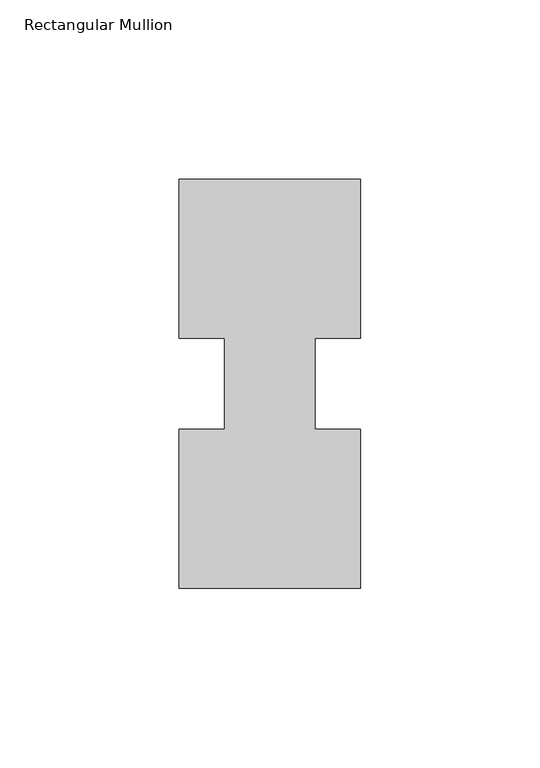
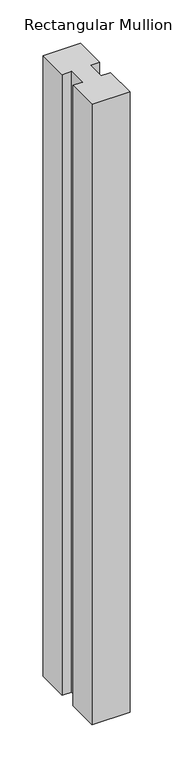
"""IFC4 building model written with IfcOpenShell, lengths in millimetres: member geometry, Rectangular Mullion."""

import ifcopenshell
import ifcopenshell.guid

model = None  # the IFC model being written
_history = None  # IfcOwnerHistory: only IFC2X3 demands one
_inside = {}  # id of a spatial element -> (the spatial element, [elements in it])
_under = {}  # id of a project, library or spatial element -> (it, [spatial elements below it])
_declared = {}  # id of a project -> (the project, [libraries it declares])
_typed = {}  # id of a type object -> (the type object, [elements of that type])
_made_of = {}  # id of a material, layer set ... -> (it, [elements and type objects made of it])


def new_model(schema):
    """Start an empty IFC model of exactly this schema.

    Asked for "IFC4X3", IfcOpenShell would pick the latest addendum, in which some entities
    have other attributes; the version numbers below select the first issue.
    IFC2X3 requires an IfcOwnerHistory on every rooted entity: one is made here for all.
    """
    global model, _history
    if schema == "IFC4X3":
        model = ifcopenshell.file(schema_version=(4, 3, 0, 0))
    else:
        model = ifcopenshell.file(schema=schema)
    _inside.clear()
    _under.clear()
    _declared.clear()
    _typed.clear()
    _made_of.clear()
    _history = None
    if model.schema == "IFC2X3":
        org = make("IfcOrganization", Name="unknown")
        user = make(
            "IfcPersonAndOrganization",
            ThePerson=make("IfcPerson", FamilyName="unknown"),
            TheOrganization=org,
        )
        app = make(
            "IfcApplication",
            ApplicationDeveloper=org,
            Version="unknown",
            ApplicationFullName="unknown",
            ApplicationIdentifier="unknown",
        )
        _history = make(
            "IfcOwnerHistory",
            OwningUser=user,
            OwningApplication=app,
            ChangeAction="ADDED",
            CreationDate=0,
        )
    return model


def make(cls, **values):
    """One entity of the class cls with the attributes given. An attribute that is None is left unset."""
    return model.create_entity(
        cls, **{name: value for name, value in values.items() if value is not None}
    )


def rooted(cls, **values):
    """An entity with a GlobalId (a new one), such as an element, a storey or a relation."""
    return make(cls, GlobalId=ifcopenshell.guid.new(), OwnerHistory=_history, **values)


def si_unit(unit_type, name, prefix=None):
    """IfcSIUnit, for example si_unit("LENGTHUNIT", "METRE", prefix="MILLI")."""
    return make("IfcSIUnit", UnitType=unit_type, Prefix=prefix, Name=name)


def assignment(units):
    """IfcUnitAssignment: the units of a project."""
    return None if units is None else make("IfcUnitAssignment", Units=units)


def point(xyz):
    """IfcCartesianPoint."""
    return None if xyz is None else make("IfcCartesianPoint", Coordinates=xyz)


def direction(xyz):
    """IfcDirection."""
    return None if xyz is None else make("IfcDirection", DirectionRatios=xyz)


def frame(location, z_axis=None, x_axis=None):
    """IfcAxis2Placement3D, a coordinate frame: its origin and axes. An axis left out is left unset."""
    return make(
        "IfcAxis2Placement3D",
        Location=point(location),
        Axis=direction(z_axis),
        RefDirection=direction(x_axis),
    )


def origin():
    """The frame at (0, 0, 0) with its axes left unset."""
    return frame((0.0, 0.0, 0.0))


def place(relative_to, where):
    """IfcLocalPlacement: puts the frame where relative to a parent placement (None: the world)."""
    return make(
        "IfcLocalPlacement", PlacementRelTo=relative_to, RelativePlacement=where
    )


def context(
    kind, dimensions, precision=None, world=None, true_north=None, identifier=None
):
    """IfcGeometricRepresentationContext, for example the 3D "Model" context."""
    return make(
        "IfcGeometricRepresentationContext",
        ContextIdentifier=identifier,
        ContextType=kind,
        CoordinateSpaceDimension=dimensions,
        Precision=precision,
        WorldCoordinateSystem=world,
        TrueNorth=true_north,
    )


def project(units=None, contexts=None):
    """IfcProject with its units and contexts."""
    return rooted(
        "IfcProject",
        Name="project",
        RepresentationContexts=contexts,
        UnitsInContext=assignment(units),
    )


def spatial(cls, under=None, at=None, **own):
    """A site, building, storey or space (cls), placed at a placement, below another one or the project."""
    s = rooted(cls, ObjectPlacement=at, **own)
    if under is not None:
        _under.setdefault(under.id(), (under, []))[1].append(s)
    return s


def polyline(points):
    """IfcPolyline through the points."""
    return make("IfcPolyline", Points=[point(p) for p in points])


def outline(outer, holes=None, kind="AREA"):
    """IfcArbitraryClosedProfileDef: a profile drawn as a closed curve; with holes, ...WithVoids."""
    if holes is None:
        return make("IfcArbitraryClosedProfileDef", ProfileType=kind, OuterCurve=outer)
    return make(
        "IfcArbitraryProfileDefWithVoids",
        ProfileType=kind,
        OuterCurve=outer,
        InnerCurves=holes,
    )


def extrude(swept, where, along, depth):
    """IfcExtrudedAreaSolid: the profile swept, set in the frame where, extruded along a direction by depth."""
    return make(
        "IfcExtrudedAreaSolid",
        SweptArea=swept,
        Position=where,
        ExtrudedDirection=direction(along),
        Depth=depth,
    )


def shape(context_of_items, identifier, shape_type, items):
    """IfcShapeRepresentation: the items that make up one representation, for example the "Body"."""
    return make(
        "IfcShapeRepresentation",
        ContextOfItems=context_of_items,
        RepresentationIdentifier=identifier,
        RepresentationType=shape_type,
        Items=items,
    )


def source(mapping_origin, context_of_items, identifier, shape_type, items):
    """IfcRepresentationMap: a shape defined once, which mapped items show again and again."""
    return make(
        "IfcRepresentationMap",
        MappingOrigin=mapping_origin,
        MappedRepresentation=shape(context_of_items, identifier, shape_type, items),
    )


def transform(
    local_origin,
    x_axis=None,
    y_axis=None,
    z_axis=None,
    scale=None,
    scale2=None,
    scale3=None,
    uniform=True,
):
    """IfcCartesianTransformationOperator3D, or its non-uniform kind. x_axis, y_axis, z_axis: its Axis1, 2, 3."""
    if uniform:
        return make(
            "IfcCartesianTransformationOperator3D",
            Axis1=direction(x_axis),
            Axis2=direction(y_axis),
            LocalOrigin=point(local_origin),
            Scale=scale,
            Axis3=direction(z_axis),
        )
    return make(
        "IfcCartesianTransformationOperator3DnonUniform",
        Axis1=direction(x_axis),
        Axis2=direction(y_axis),
        LocalOrigin=point(local_origin),
        Scale=scale,
        Axis3=direction(z_axis),
        Scale2=scale2,
        Scale3=scale3,
    )


def mapped(mapping_source, mapping_target):
    """IfcMappedItem: shows the shape of a source again, moved by a transform."""
    return make(
        "IfcMappedItem", MappingSource=mapping_source, MappingTarget=mapping_target
    )


def made_of(thing, what):
    """Note that an element or type object is made of a material, layer set ...; save() writes the relation."""
    if what is not None:
        _made_of.setdefault(what.id(), (what, []))[1].append(thing)
    return thing


def element(
    cls,
    number,
    at=None,
    inside=None,
    cuts=None,
    type_object=None,
    material=None,
    context=None,
    identifier="Body",
    shape_type=None,
    held_by="IfcProductDefinitionShape",
    body=None,
    shapes=None,
    **own,
):
    """One element of the class cls, such as IfcWall. Its Tag is "e" and its number.

    at: its placement. inside: the storey or other place that contains it. cuts: it is an
    opening in that element (IfcRelVoidsElement). A single representation is given by context,
    identifier, shape_type and body (its items); several are given by shapes. held_by: the class
    of the entity that holds the representations. save() writes the other relations.
    """
    e = rooted(cls, Tag="e%d" % number, ObjectPlacement=at, **own)
    if body is not None:
        shapes = [shape(context, identifier, shape_type, body)]
    if shapes is not None:
        e.Representation = make(held_by, Representations=shapes)
    if inside is not None:
        _inside.setdefault(inside.id(), (inside, []))[1].append(e)
    if cuts is not None:
        rooted(
            "IfcRelVoidsElement", RelatingBuildingElement=cuts, RelatedOpeningElement=e
        )
    if type_object is not None:
        _typed.setdefault(type_object.id(), (type_object, []))[1].append(e)
    return made_of(e, material)


def aggregate(whole, parts):
    """IfcRelAggregates: a whole, such as a stair, and the parts it consists of."""
    return rooted("IfcRelAggregates", RelatingObject=whole, RelatedObjects=parts)


def save(model, path):
    """Write the relations noted so far, then the file.

    IfcRelAggregates (storeys below a building ...), IfcRelContainedInSpatialStructure (elements
    in a storey), IfcRelDefinesByType, IfcRelAssociatesMaterial and IfcRelDeclares: one each for
    every whole, place, type object, material and project.
    """
    for whole, parts in _under.values():
        aggregate(whole, parts)
    for where, things in _inside.values():
        rooted(
            "IfcRelContainedInSpatialStructure",
            RelatedElements=things,
            RelatingStructure=where,
        )
    for kind, things in _typed.values():
        rooted("IfcRelDefinesByType", RelatedObjects=things, RelatingType=kind)
    for what, things in _made_of.values():
        rooted("IfcRelAssociatesMaterial", RelatedObjects=things, RelatingMaterial=what)
    for by, libraries in _declared.values():
        rooted("IfcRelDeclares", RelatingContext=by, RelatedDefinitions=libraries)
    model.write(path)


def rectangular_mullion_1968c4a9(model_context):
    return source(origin(), model_context, "Body", "SweptSolid", [
        extrude(outline(polyline([(29.7344027, 57.15), (29.7344027, 12.7), (17.0326322, 12.7), (17.0326322, -12.7), (29.7344027, -12.7), (29.7344027, -57.15), (-21.0655973, -57.15), (-21.0655973, -12.7), (-8.3655973, -12.7), (-8.3655973, 12.7), (-21.0655973, 12.7), (-21.0655973, 57.15), (29.7344027, 57.15)])), frame((0.0, 0.0, -880.6344027), z_axis=(0.0, 0.0, 1.0), x_axis=(1.0, 0.0, 0.0)), (0.0, 0.0, 1.0), 880.6344027),
    ])


if __name__ == "__main__":
    model = new_model("IFC4")
    model_context = context("Model", 3, world=origin())
    ifc_project = project(units=[si_unit("LENGTHUNIT", "METRE", prefix="MILLI")], contexts=[model_context])
    site = spatial("IfcSite", under=ifc_project)
    building = spatial("IfcBuilding", under=site)
    placement = place(None, origin())
    rectangular_mullion_shape = rectangular_mullion_1968c4a9(model_context)
    element("IfcMember", 1, ObjectType="Rectangular Mullion", at=placement, inside=building, context=model_context, shape_type="MappedRepresentation", body=[
        mapped(rectangular_mullion_shape, transform((0.0, 0.0, 0.0), x_axis=(1.0, 0.0, 0.0), y_axis=(0.0, 1.0, 0.0), z_axis=(0.0, 0.0, 1.0))),
    ])
    save(model, "model.ifc")
